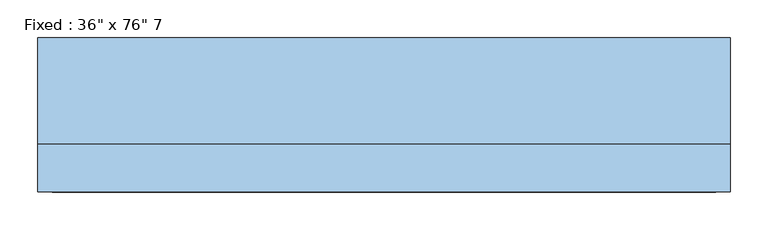
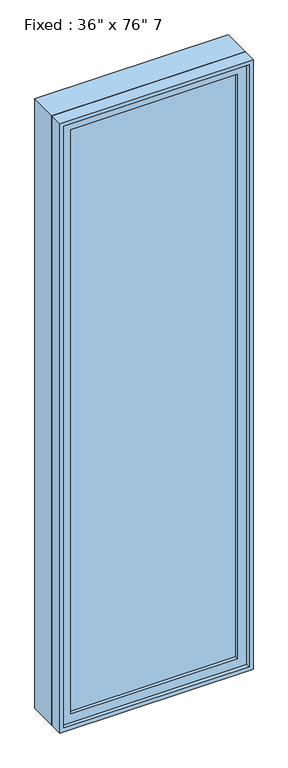
"""IFC4 building model written with IfcOpenShell, lengths in millimetres: window geometry."""

from ifc_helpers import new_model, si_unit, frame, origin, place, context, project, spatial, polyline, outline, extrude, source, transform, mapped, element, save


def window_ad7abdbd(model_context):
    return source(origin(), model_context, "Body", "SweptSolid", [
        extrude(outline(polyline([(355.6, -53.975), (355.6, -66.675), (-431.8, -66.675), (-431.8, -53.975), (355.6, -53.975)])), frame((0.0, 0.0, 368.3), z_axis=(0.0, 0.0, 1.0), x_axis=(1.0, 0.0, 0.0)), (0.0, 0.0, 1.0), 2921.0),
        extrude(outline(polyline([(3333.75, -476.25), (323.85, -476.25), (323.85, 400.05), (3333.75, 400.05), (3333.75, -476.25)]), holes=[polyline([(3289.3, -431.8), (3289.3, 355.6), (368.3, 355.6), (368.3, -431.8), (3289.3, -431.8)])]), frame((0.0, -82.55, 0.0), z_axis=(0.0, 1.0, 0.0), x_axis=(0.0, 0.0, 1.0)), (0.0, 0.0, 1.0), 44.45),
        extrude(outline(polyline([(3352.8, -495.3), (304.8, -495.3), (304.8, 419.1), (3352.8, 419.1), (3352.8, -495.3)]), holes=[polyline([(3321.05, -463.55), (3321.05, 387.35), (336.55, 387.35), (336.55, -463.55), (3321.05, -463.55)])]), frame((0.0, -38.1, 0.0), z_axis=(0.0, 1.0, 0.0), x_axis=(0.0, 0.0, 1.0)), (0.0, 0.0, 1.0), 139.7),
        extrude(outline(polyline([(3352.8, 419.1), (3352.8, -495.3), (304.8, -495.3), (304.8, 419.1), (3352.8, 419.1)]), holes=[polyline([(3333.75, 400.05), (323.85, 400.05), (323.85, -476.25), (3333.75, -476.25), (3333.75, 400.05)])]), frame((0.0, -101.6, 0.0), z_axis=(0.0, 1.0, 0.0), x_axis=(0.0, 0.0, 1.0)), (0.0, 0.0, 1.0), 63.5),
    ])


if __name__ == "__main__":
    model = new_model("IFC4")
    model_context = context("Model", 3, world=origin())
    ifc_project = project(units=[si_unit("LENGTHUNIT", "METRE", prefix="MILLI")], contexts=[model_context])
    site = spatial("IfcSite", under=ifc_project)
    building = spatial("IfcBuilding", under=site)
    placement = place(None, origin())
    window_shape = window_ad7abdbd(model_context)
    element("IfcWindow", 1, ObjectType="Fixed : 36\" x 76\" 7", at=placement, inside=building, context=model_context, shape_type="MappedRepresentation", body=[
        mapped(window_shape, transform((0.0, 0.0, 0.0), x_axis=(1.0, 0.0, 0.0), y_axis=(0.0, 1.0, 0.0), z_axis=(0.0, 0.0, 1.0))),
    ])
    save(model, "model.ifc")
